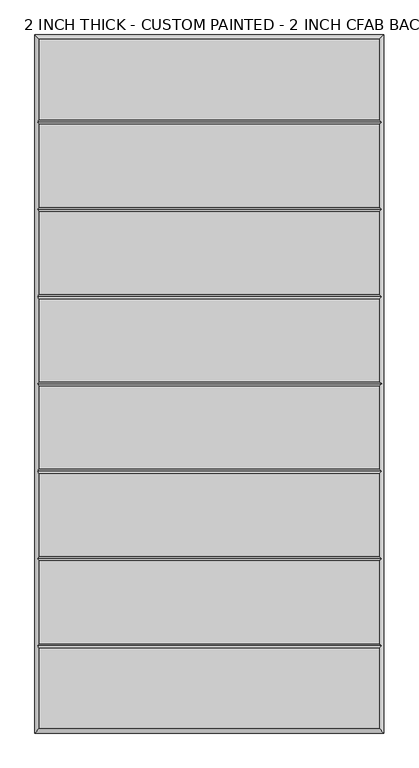
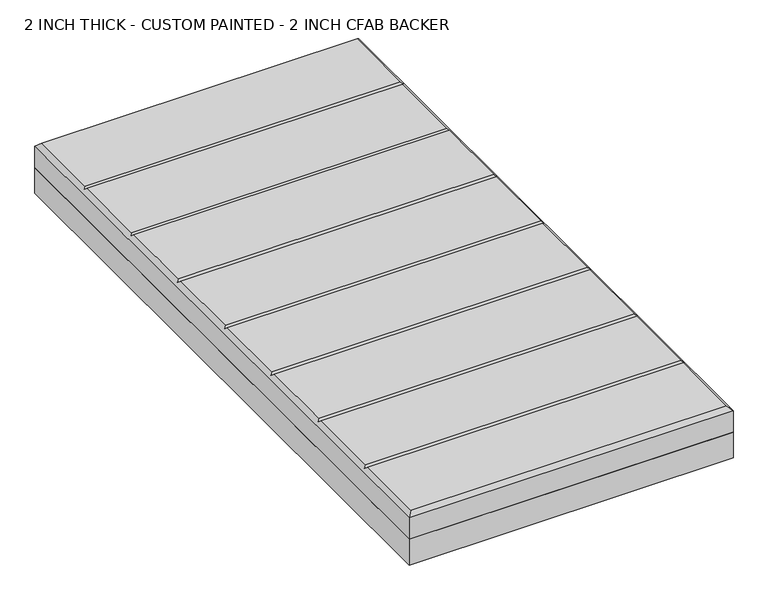
"""IFC4 building model written with IfcOpenShell, lengths in millimetres: proxy geometry, 2 INCH THICK - CUSTOM PAINTED - 2 INCH CFAB BACKER."""

from ifc_helpers import new_model, si_unit, frame, origin, place, context, project, spatial, polyline, outline, extrude, faceted_brep, source, transform, mapped, element, save


def proxy_2_inch_thick_custom_painted_2_inch_cfab_backer_d3e5e44f(model_context):
    return source(origin(), model_context, "Body", "SolidModel", [
        extrude(outline(polyline([(-304.8, 609.6), (304.8, 609.6), (304.8, -609.6), (-304.8, -609.6), (-304.8, 609.6)])), frame((0.0, 0.0, -50.8), z_axis=(0.0, 0.0, 1.0), x_axis=(1.0, 0.0, 0.0)), (0.0, 0.0, 1.0), 50.8),
        faceted_brep([(296.799, 601.599, 50.8), (-296.799, 601.599, 50.8), (-296.799, 461.2005254, 50.8), (296.799, 461.2005254, 50.8), (-296.799, -601.599, 50.8), (296.799, -601.599, 50.8), (296.799, -461.2004746, 50.8), (-296.799, -461.2004746, 50.8), (296.799, 453.1995254, 50.8), (-296.799, 453.1995254, 50.8), (-296.799, 308.8005254, 50.8), (296.799, 308.8005254, 50.8), (296.799, -308.8005, 50.8), (-296.799, -308.8005, 50.8), (-296.799, -453.1994746, 50.8), (296.799, -453.1994746, 50.8), (-296.799, -300.7995, 50.8), (296.799, -300.7995, 50.8), (296.799, -156.4004746, 50.8), (-296.799, -156.4004746, 50.8), (296.799, 300.7995254, 50.8), (-296.799, 300.7995254, 50.8), (-296.799, 156.4005254, 50.8), (296.799, 156.4005254, 50.8), (296.799, 148.3995254, 50.8), (-296.799, 148.3995254, 50.8), (-296.799, 4.0005254, 50.8), (296.799, 4.0005254, 50.8), (296.799, -4.0004746, 50.8), (-296.799, -4.0004746, 50.8), (-296.799, -148.3994746, 50.8), (296.799, -148.3994746, 50.8), (-304.8, 609.6, 0.0), (304.8, 609.6, 0.0), (304.8, -609.6, 0.0), (-304.8, -609.6, 0.0), (-304.8, -609.6, 42.799), (-304.8, 609.6, 42.799), (304.8, -609.6, 42.799), (304.8, 609.6, 42.799), (-300.7995, -457.1999746, 46.7995), (-300.7995, -304.8, 46.7995), (-300.7995, -152.3999746, 46.7995), (-300.7995, 2.54e-05, 46.7995), (-300.7995, 152.4000254, 46.7995), (-300.7995, 304.8000254, 46.7995), (-300.7995, 457.2000254, 46.7995), (300.7995, 457.2000254, 46.7995), (300.7995, 304.8000254, 46.7995), (300.7995, 152.4000254, 46.7995), (300.7995, 2.54e-05, 46.7995), (300.7995, -152.3999746, 46.7995), (300.7995, -304.8, 46.7995), (300.7995, -457.1999746, 46.7995)], [[[0, 1, 2, 3]], [[4, 5, 6, 7]], [[8, 9, 10, 11]], [[12, 13, 14, 15]], [[16, 17, 18, 19]], [[20, 21, 22, 23]], [[24, 25, 26, 27]], [[28, 29, 30, 31]], [[32, 33, 34, 35]], [[32, 35, 36, 37]], [[35, 34, 38, 36]], [[34, 33, 39, 38]], [[33, 32, 37, 39]], [[37, 1, 0, 39]], [[1, 37, 36, 4, 7, 40, 14, 13, 41, 16, 19, 42, 30, 29, 43, 26, 25, 44, 22, 21, 45, 10, 9, 46, 2]], [[4, 36, 38, 5]], [[39, 0, 3, 47, 8, 11, 48, 20, 23, 49, 24, 27, 50, 28, 31, 51, 18, 17, 52, 12, 15, 53, 6, 5, 38]], [[47, 46, 9, 8]], [[46, 47, 3, 2]], [[52, 41, 13, 12]], [[41, 52, 17, 16]], [[53, 40, 7, 6]], [[40, 53, 15, 14]], [[48, 45, 21, 20]], [[45, 48, 11, 10]], [[49, 44, 25, 24]], [[44, 49, 23, 22]], [[50, 43, 29, 28]], [[43, 50, 27, 26]], [[51, 42, 19, 18]], [[42, 51, 31, 30]]]),
    ])


if __name__ == "__main__":
    model = new_model("IFC4")
    model_context = context("Model", 3, world=origin())
    ifc_project = project(units=[si_unit("LENGTHUNIT", "METRE", prefix="MILLI")], contexts=[model_context])
    site = spatial("IfcSite", under=ifc_project)
    building = spatial("IfcBuilding", under=site)
    placement = place(None, origin())
    proxy_2_inch_thick_custom_painted_2_inch_cfab_backer_shape = proxy_2_inch_thick_custom_painted_2_inch_cfab_backer_d3e5e44f(model_context)
    element("IfcBuildingElementProxy", 1, Name="2 INCH THICK - CUSTOM PAINTED - 2 INCH CFAB BACKER", ObjectType="2 INCH THICK - CUSTOM PAINTED - 2 INCH CFAB BACKER", at=placement, inside=building, context=model_context, shape_type="MappedRepresentation", body=[
        mapped(proxy_2_inch_thick_custom_painted_2_inch_cfab_backer_shape, transform((0.0, 0.0, 0.0), x_axis=(1.0, 0.0, 0.0), y_axis=(0.0, 1.0, 0.0), z_axis=(0.0, 0.0, 1.0))),
    ])
    save(model, "model.ifc")
